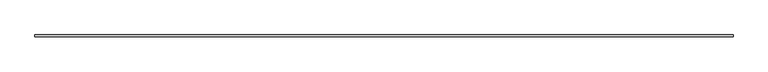
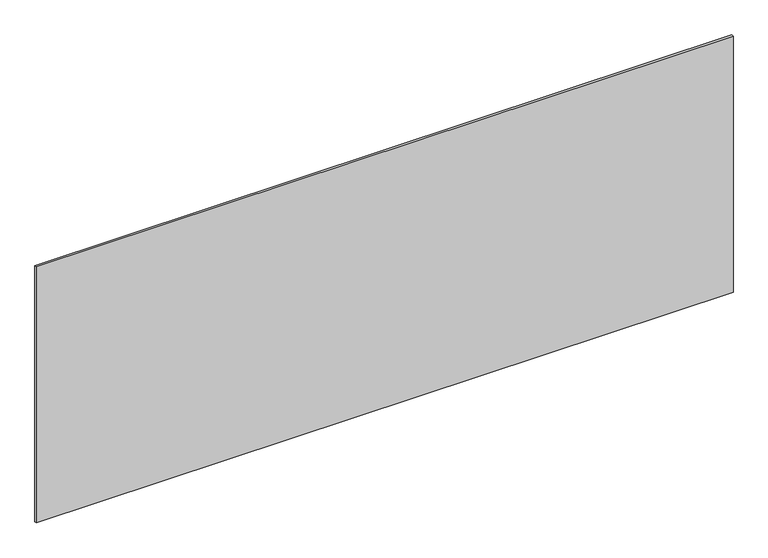
"""IFC4 building model written with IfcOpenShell, lengths in millimetres: plate geometry."""

from ifc_helpers import new_model, si_unit, origin, origin_with_axes, place, context, project, spatial, polyline, outline, extrude, source, transform, mapped, element, save


def plate_2ab002e3(model_context):
    return source(origin(), model_context, "Body", "SweptSolid", [
        extrude(outline(polyline([(1697.5, -5.0), (-1697.5, -5.0), (-1697.5, 5.0), (1697.5, 5.0), (1697.5, -5.0)])), origin_with_axes(), (0.0, 0.0, 1.0), 1318.3749289),
    ])


if __name__ == "__main__":
    model = new_model("IFC4")
    model_context = context("Model", 3, world=origin())
    ifc_project = project(units=[si_unit("LENGTHUNIT", "METRE", prefix="MILLI")], contexts=[model_context])
    site = spatial("IfcSite", under=ifc_project)
    building = spatial("IfcBuilding", under=site)
    placement = place(None, origin())
    plate_shape = plate_2ab002e3(model_context)
    element("IfcPlate", 1, at=placement, inside=building, context=model_context, shape_type="MappedRepresentation", body=[
        mapped(plate_shape, transform((0.0, 0.0, 0.0), x_axis=(1.0, 0.0, 0.0), y_axis=(0.0, 1.0, 0.0), z_axis=(0.0, 0.0, 1.0))),
    ])
    save(model, "model.ifc")
